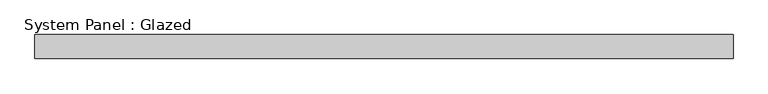
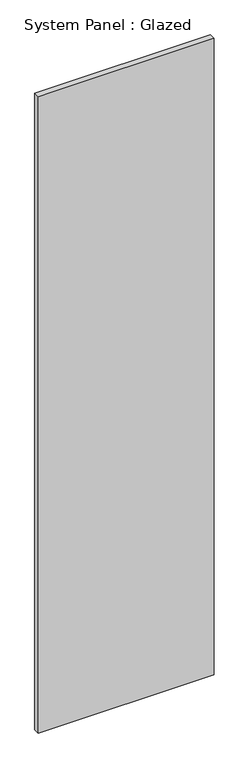
"""IFC4 building model written with IfcOpenShell, lengths in millimetres: plate geometry, System Panel : Glazed."""

from ifc_helpers import new_model, si_unit, frame, origin, place, context, project, spatial, polyline, outline, extrude, source, transform, mapped, element, save


def system_panel_glazed_42f250ba(model_context):
    return source(origin(), model_context, "Body", "SweptSolid", [
        extrude(outline(polyline([(0.0001312, -525.0006634), (0.0, 525.0001616), (4014.9999435, 525.0006634), (4014.9999435, -525.0002233), (0.0001312, -525.0006634)])), frame((0.0, -18.0, 0.0), z_axis=(0.0, 1.0, 0.0), x_axis=(0.0, 0.0, 1.0)), (0.0, 0.0, 1.0), 36.0),
    ])


if __name__ == "__main__":
    model = new_model("IFC4")
    model_context = context("Model", 3, world=origin())
    ifc_project = project(units=[si_unit("LENGTHUNIT", "METRE", prefix="MILLI")], contexts=[model_context])
    site = spatial("IfcSite", under=ifc_project)
    building = spatial("IfcBuilding", under=site)
    placement = place(None, origin())
    system_panel_glazed_shape = system_panel_glazed_42f250ba(model_context)
    element("IfcPlate", 1, ObjectType="System Panel : Glazed", at=placement, inside=building, context=model_context, shape_type="MappedRepresentation", body=[
        mapped(system_panel_glazed_shape, transform((0.0, 0.0, 0.0), x_axis=(1.0, 0.0, 0.0), y_axis=(0.0, 1.0, 0.0), z_axis=(0.0, 0.0, 1.0))),
    ])
    save(model, "model.ifc")
